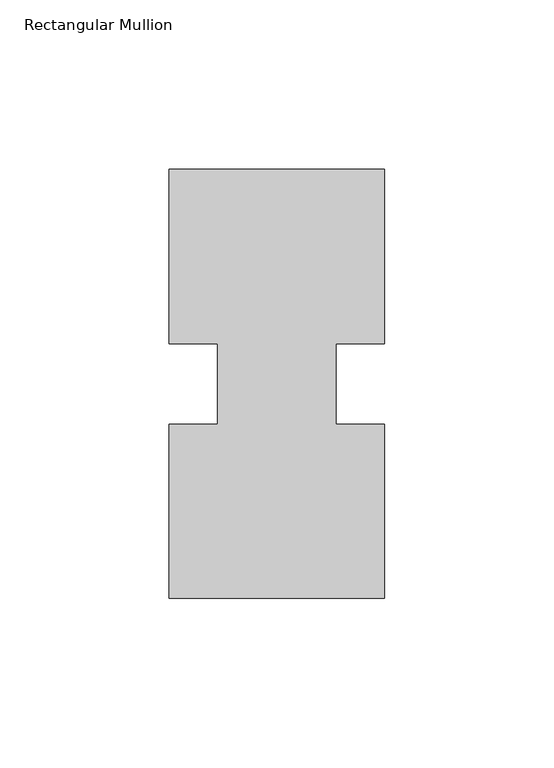
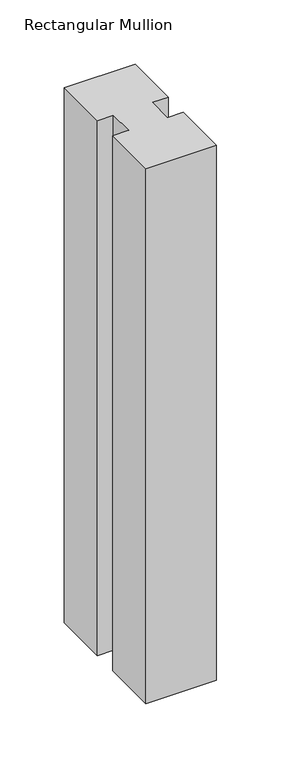
"""IFC4 building model written with IfcOpenShell, lengths in millimetres: member geometry, Rectangular Mullion."""

from ifc_helpers import new_model, si_unit, frame, origin, place, context, project, spatial, polyline, outline, extrude, source, transform, mapped, element, save


def rectangular_mullion_8a5aa665(model_context):
    return source(origin(), model_context, "Body", "SweptSolid", [
        extrude(outline(polyline([(0.0, 0.26035), (-63.5, 0.26035), (-63.5, 51.60645), (-49.2125, 51.60645), (-49.2125, 75.40625), (-63.5, 75.40625), (-63.5, 126.75235), (0.0, 126.75235), (0.0, 75.40625), (-14.2748, 75.40625), (-14.2748, 51.60645), (0.0, 51.60645), (0.0, 0.26035)])), frame((0.0, 0.0, -507.96825), z_axis=(0.0, 0.0, 1.0), x_axis=(1.0, 0.0, 0.0)), (0.0, 0.0, 1.0), 507.96825),
    ])


if __name__ == "__main__":
    model = new_model("IFC4")
    model_context = context("Model", 3, world=origin())
    ifc_project = project(units=[si_unit("LENGTHUNIT", "METRE", prefix="MILLI")], contexts=[model_context])
    site = spatial("IfcSite", under=ifc_project)
    building = spatial("IfcBuilding", under=site)
    placement = place(None, origin())
    rectangular_mullion_shape = rectangular_mullion_8a5aa665(model_context)
    element("IfcMember", 1, ObjectType="Rectangular Mullion", at=placement, inside=building, context=model_context, shape_type="MappedRepresentation", body=[
        mapped(rectangular_mullion_shape, transform((0.0, 0.0, 0.0), x_axis=(1.0, 0.0, 0.0), y_axis=(0.0, 1.0, 0.0), z_axis=(0.0, 0.0, 1.0))),
    ])
    save(model, "model.ifc")
